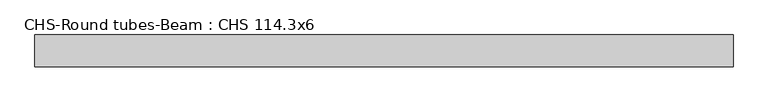
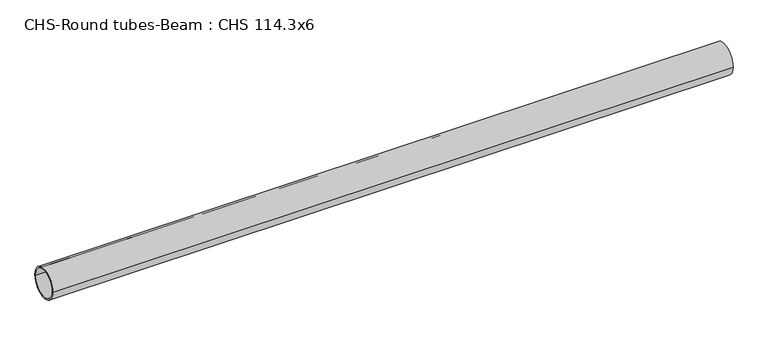
"""IFC4 building model written with IfcOpenShell, lengths in millimetres: beam geometry, CHS-Round tubes-Beam : CHS 114.3x6."""

import ifcopenshell
import ifcopenshell.guid

model = None  # the IFC model being written
_history = None  # IfcOwnerHistory: only IFC2X3 demands one
_inside = {}  # id of a spatial element -> (the spatial element, [elements in it])
_under = {}  # id of a project, library or spatial element -> (it, [spatial elements below it])
_declared = {}  # id of a project -> (the project, [libraries it declares])
_typed = {}  # id of a type object -> (the type object, [elements of that type])
_made_of = {}  # id of a material, layer set ... -> (it, [elements and type objects made of it])


def new_model(schema):
    """Start an empty IFC model of exactly this schema.

    Asked for "IFC4X3", IfcOpenShell would pick the latest addendum, in which some entities
    have other attributes; the version numbers below select the first issue.
    IFC2X3 requires an IfcOwnerHistory on every rooted entity: one is made here for all.
    """
    global model, _history
    if schema == "IFC4X3":
        model = ifcopenshell.file(schema_version=(4, 3, 0, 0))
    else:
        model = ifcopenshell.file(schema=schema)
    _inside.clear()
    _under.clear()
    _declared.clear()
    _typed.clear()
    _made_of.clear()
    _history = None
    if model.schema == "IFC2X3":
        org = make("IfcOrganization", Name="unknown")
        user = make(
            "IfcPersonAndOrganization",
            ThePerson=make("IfcPerson", FamilyName="unknown"),
            TheOrganization=org,
        )
        app = make(
            "IfcApplication",
            ApplicationDeveloper=org,
            Version="unknown",
            ApplicationFullName="unknown",
            ApplicationIdentifier="unknown",
        )
        _history = make(
            "IfcOwnerHistory",
            OwningUser=user,
            OwningApplication=app,
            ChangeAction="ADDED",
            CreationDate=0,
        )
    return model


def make(cls, **values):
    """One entity of the class cls with the attributes given. An attribute that is None is left unset."""
    return model.create_entity(
        cls, **{name: value for name, value in values.items() if value is not None}
    )


def rooted(cls, **values):
    """An entity with a GlobalId (a new one), such as an element, a storey or a relation."""
    return make(cls, GlobalId=ifcopenshell.guid.new(), OwnerHistory=_history, **values)


def si_unit(unit_type, name, prefix=None):
    """IfcSIUnit, for example si_unit("LENGTHUNIT", "METRE", prefix="MILLI")."""
    return make("IfcSIUnit", UnitType=unit_type, Prefix=prefix, Name=name)


def assignment(units):
    """IfcUnitAssignment: the units of a project."""
    return None if units is None else make("IfcUnitAssignment", Units=units)


def point(xyz):
    """IfcCartesianPoint."""
    return None if xyz is None else make("IfcCartesianPoint", Coordinates=xyz)


def direction(xyz):
    """IfcDirection."""
    return None if xyz is None else make("IfcDirection", DirectionRatios=xyz)


def frame(location, z_axis=None, x_axis=None):
    """IfcAxis2Placement3D, a coordinate frame: its origin and axes. An axis left out is left unset."""
    return make(
        "IfcAxis2Placement3D",
        Location=point(location),
        Axis=direction(z_axis),
        RefDirection=direction(x_axis),
    )


def frame_2d(location, x_axis=None):
    """IfcAxis2Placement2D, a coordinate frame in the plane: its origin and x axis."""
    return make(
        "IfcAxis2Placement2D", Location=point(location), RefDirection=direction(x_axis)
    )


def origin():
    """The frame at (0, 0, 0) with its axes left unset."""
    return frame((0.0, 0.0, 0.0))


def origin_2d():
    """The frame at (0, 0) in the plane with its x axis left unset."""
    return frame_2d((0.0, 0.0))


def place(relative_to, where):
    """IfcLocalPlacement: puts the frame where relative to a parent placement (None: the world)."""
    return make(
        "IfcLocalPlacement", PlacementRelTo=relative_to, RelativePlacement=where
    )


def context(
    kind, dimensions, precision=None, world=None, true_north=None, identifier=None
):
    """IfcGeometricRepresentationContext, for example the 3D "Model" context."""
    return make(
        "IfcGeometricRepresentationContext",
        ContextIdentifier=identifier,
        ContextType=kind,
        CoordinateSpaceDimension=dimensions,
        Precision=precision,
        WorldCoordinateSystem=world,
        TrueNorth=true_north,
    )


def project(units=None, contexts=None):
    """IfcProject with its units and contexts."""
    return rooted(
        "IfcProject",
        Name="project",
        RepresentationContexts=contexts,
        UnitsInContext=assignment(units),
    )


def spatial(cls, under=None, at=None, **own):
    """A site, building, storey or space (cls), placed at a placement, below another one or the project."""
    s = rooted(cls, ObjectPlacement=at, **own)
    if under is not None:
        _under.setdefault(under.id(), (under, []))[1].append(s)
    return s


def circle_curve(where, radius):
    """IfcCircle in the frame where."""
    return make("IfcCircle", Position=where, Radius=radius)


def trimmed(basis, trim1, trim2, sense, master):
    """IfcTrimmedCurve: the piece of a basis curve between two trims."""
    return make(
        "IfcTrimmedCurve",
        BasisCurve=basis,
        Trim1=trim1,
        Trim2=trim2,
        SenseAgreement=sense,
        MasterRepresentation=master,
    )


def segment(curve, same_sense, transition):
    """IfcCompositeCurveSegment."""
    return make(
        "IfcCompositeCurveSegment",
        Transition=transition,
        SameSense=same_sense,
        ParentCurve=curve,
    )


def composite_curve(segments, self_intersect=None):
    """IfcCompositeCurve: segments joined end to end."""
    return make("IfcCompositeCurve", Segments=segments, SelfIntersect=self_intersect)


def outline(outer, holes=None, kind="AREA"):
    """IfcArbitraryClosedProfileDef: a profile drawn as a closed curve; with holes, ...WithVoids."""
    if holes is None:
        return make("IfcArbitraryClosedProfileDef", ProfileType=kind, OuterCurve=outer)
    return make(
        "IfcArbitraryProfileDefWithVoids",
        ProfileType=kind,
        OuterCurve=outer,
        InnerCurves=holes,
    )


def extrude(swept, where, along, depth):
    """IfcExtrudedAreaSolid: the profile swept, set in the frame where, extruded along a direction by depth."""
    return make(
        "IfcExtrudedAreaSolid",
        SweptArea=swept,
        Position=where,
        ExtrudedDirection=direction(along),
        Depth=depth,
    )


def shape(context_of_items, identifier, shape_type, items):
    """IfcShapeRepresentation: the items that make up one representation, for example the "Body"."""
    return make(
        "IfcShapeRepresentation",
        ContextOfItems=context_of_items,
        RepresentationIdentifier=identifier,
        RepresentationType=shape_type,
        Items=items,
    )


def source(mapping_origin, context_of_items, identifier, shape_type, items):
    """IfcRepresentationMap: a shape defined once, which mapped items show again and again."""
    return make(
        "IfcRepresentationMap",
        MappingOrigin=mapping_origin,
        MappedRepresentation=shape(context_of_items, identifier, shape_type, items),
    )


def transform(
    local_origin,
    x_axis=None,
    y_axis=None,
    z_axis=None,
    scale=None,
    scale2=None,
    scale3=None,
    uniform=True,
):
    """IfcCartesianTransformationOperator3D, or its non-uniform kind. x_axis, y_axis, z_axis: its Axis1, 2, 3."""
    if uniform:
        return make(
            "IfcCartesianTransformationOperator3D",
            Axis1=direction(x_axis),
            Axis2=direction(y_axis),
            LocalOrigin=point(local_origin),
            Scale=scale,
            Axis3=direction(z_axis),
        )
    return make(
        "IfcCartesianTransformationOperator3DnonUniform",
        Axis1=direction(x_axis),
        Axis2=direction(y_axis),
        LocalOrigin=point(local_origin),
        Scale=scale,
        Axis3=direction(z_axis),
        Scale2=scale2,
        Scale3=scale3,
    )


def mapped(mapping_source, mapping_target):
    """IfcMappedItem: shows the shape of a source again, moved by a transform."""
    return make(
        "IfcMappedItem", MappingSource=mapping_source, MappingTarget=mapping_target
    )


def made_of(thing, what):
    """Note that an element or type object is made of a material, layer set ...; save() writes the relation."""
    if what is not None:
        _made_of.setdefault(what.id(), (what, []))[1].append(thing)
    return thing


def element(
    cls,
    number,
    at=None,
    inside=None,
    cuts=None,
    type_object=None,
    material=None,
    context=None,
    identifier="Body",
    shape_type=None,
    held_by="IfcProductDefinitionShape",
    body=None,
    shapes=None,
    **own,
):
    """One element of the class cls, such as IfcWall. Its Tag is "e" and its number.

    at: its placement. inside: the storey or other place that contains it. cuts: it is an
    opening in that element (IfcRelVoidsElement). A single representation is given by context,
    identifier, shape_type and body (its items); several are given by shapes. held_by: the class
    of the entity that holds the representations. save() writes the other relations.
    """
    e = rooted(cls, Tag="e%d" % number, ObjectPlacement=at, **own)
    if body is not None:
        shapes = [shape(context, identifier, shape_type, body)]
    if shapes is not None:
        e.Representation = make(held_by, Representations=shapes)
    if inside is not None:
        _inside.setdefault(inside.id(), (inside, []))[1].append(e)
    if cuts is not None:
        rooted(
            "IfcRelVoidsElement", RelatingBuildingElement=cuts, RelatedOpeningElement=e
        )
    if type_object is not None:
        _typed.setdefault(type_object.id(), (type_object, []))[1].append(e)
    return made_of(e, material)


def aggregate(whole, parts):
    """IfcRelAggregates: a whole, such as a stair, and the parts it consists of."""
    return rooted("IfcRelAggregates", RelatingObject=whole, RelatedObjects=parts)


def save(model, path):
    """Write the relations noted so far, then the file.

    IfcRelAggregates (storeys below a building ...), IfcRelContainedInSpatialStructure (elements
    in a storey), IfcRelDefinesByType, IfcRelAssociatesMaterial and IfcRelDeclares: one each for
    every whole, place, type object, material and project.
    """
    for whole, parts in _under.values():
        aggregate(whole, parts)
    for where, things in _inside.values():
        rooted(
            "IfcRelContainedInSpatialStructure",
            RelatedElements=things,
            RelatingStructure=where,
        )
    for kind, things in _typed.values():
        rooted("IfcRelDefinesByType", RelatedObjects=things, RelatingType=kind)
    for what, things in _made_of.values():
        rooted("IfcRelAssociatesMaterial", RelatedObjects=things, RelatingMaterial=what)
    for by, libraries in _declared.values():
        rooted("IfcRelDeclares", RelatingContext=by, RelatedDefinitions=libraries)
    model.write(path)


def chs_round_tubes_beam_chs_114_3x6_9c60fc1f(model_context):
    return source(origin(), model_context, "Body", "SweptSolid", [
        extrude(outline(composite_curve([segment(trimmed(circle_curve(origin_2d(), 57.15), [point((57.15, 0.0))], [point((-57.15, 0.0))], False, "CARTESIAN"), True, "CONTINUOUS"), segment(trimmed(circle_curve(origin_2d(), 57.15), [point((-57.15, 0.0))], [point((57.15, 0.0))], False, "CARTESIAN"), True, "CONTINUOUS")], self_intersect=False), holes=[composite_curve([segment(trimmed(circle_curve(origin_2d(), 51.15), [point((51.15, 0.0))], [point((-51.15, 0.0))], True, "CARTESIAN"), True, "CONTINUOUS"), segment(trimmed(circle_curve(origin_2d(), 51.15), [point((-51.15, 0.0))], [point((51.15, 0.0))], True, "CARTESIAN"), True, "CONTINUOUS")], self_intersect=False)]), frame((-1219.7575831, 0.0, 0.0), z_axis=(1.0, 0.0, 0.0), x_axis=(0.0, 1.0, 0.0)), (0.0, 0.0, 1.0), 2519.2349161),
    ])


if __name__ == "__main__":
    model = new_model("IFC4")
    model_context = context("Model", 3, world=origin())
    ifc_project = project(units=[si_unit("LENGTHUNIT", "METRE", prefix="MILLI")], contexts=[model_context])
    site = spatial("IfcSite", under=ifc_project)
    building = spatial("IfcBuilding", under=site)
    placement = place(None, origin())
    chs_round_tubes_beam_chs_114_3x6_shape = chs_round_tubes_beam_chs_114_3x6_9c60fc1f(model_context)
    element("IfcBeam", 1, ObjectType="CHS-Round tubes-Beam : CHS 114.3x6", at=placement, inside=building, context=model_context, shape_type="MappedRepresentation", body=[
        mapped(chs_round_tubes_beam_chs_114_3x6_shape, transform((0.0, 0.0, 0.0), x_axis=(1.0, 0.0, 0.0), y_axis=(0.0, 1.0, 0.0), z_axis=(0.0, 0.0, 1.0))),
    ])
    save(model, "model.ifc")
